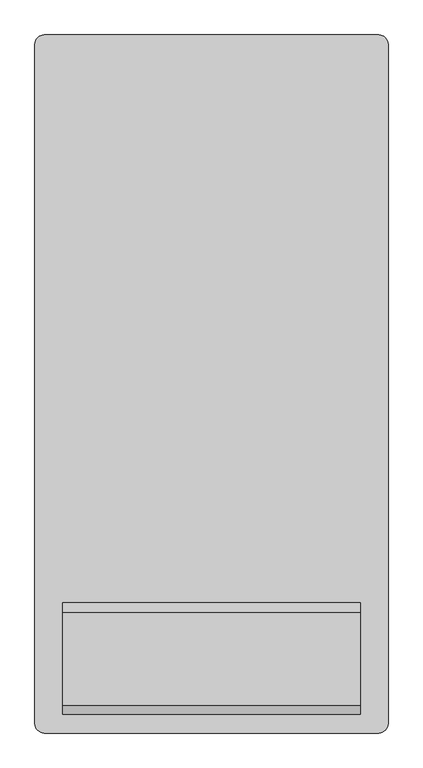
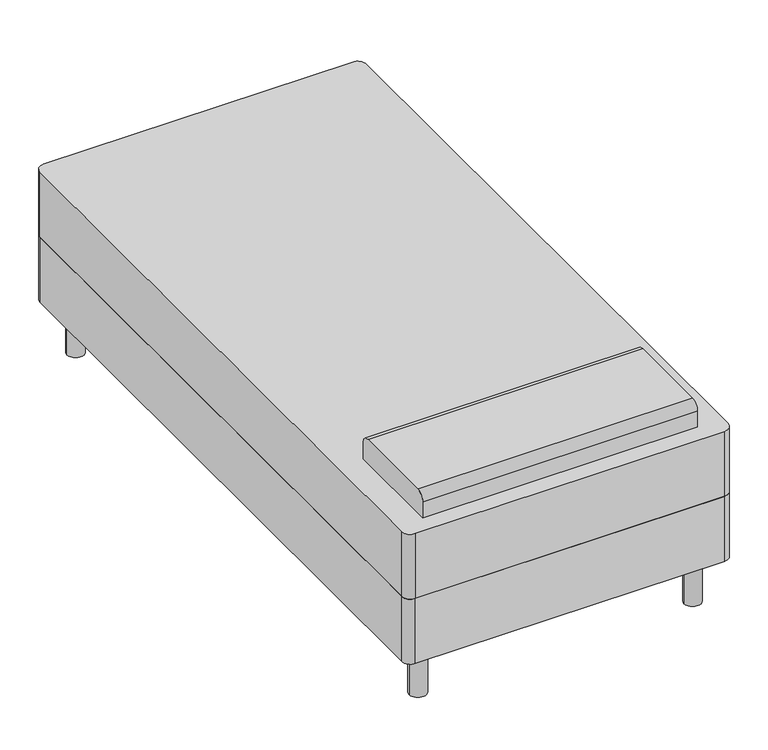
"""IFC4 building model written with IfcOpenShell, lengths in millimetres: furniture geometry."""

import ifcopenshell
import ifcopenshell.guid

model = None  # the IFC model being written
_history = None  # IfcOwnerHistory: only IFC2X3 demands one
_inside = {}  # id of a spatial element -> (the spatial element, [elements in it])
_under = {}  # id of a project, library or spatial element -> (it, [spatial elements below it])
_declared = {}  # id of a project -> (the project, [libraries it declares])
_typed = {}  # id of a type object -> (the type object, [elements of that type])
_made_of = {}  # id of a material, layer set ... -> (it, [elements and type objects made of it])


def new_model(schema):
    """Start an empty IFC model of exactly this schema.

    Asked for "IFC4X3", IfcOpenShell would pick the latest addendum, in which some entities
    have other attributes; the version numbers below select the first issue.
    IFC2X3 requires an IfcOwnerHistory on every rooted entity: one is made here for all.
    """
    global model, _history
    if schema == "IFC4X3":
        model = ifcopenshell.file(schema_version=(4, 3, 0, 0))
    else:
        model = ifcopenshell.file(schema=schema)
    _inside.clear()
    _under.clear()
    _declared.clear()
    _typed.clear()
    _made_of.clear()
    _history = None
    if model.schema == "IFC2X3":
        org = make("IfcOrganization", Name="unknown")
        user = make(
            "IfcPersonAndOrganization",
            ThePerson=make("IfcPerson", FamilyName="unknown"),
            TheOrganization=org,
        )
        app = make(
            "IfcApplication",
            ApplicationDeveloper=org,
            Version="unknown",
            ApplicationFullName="unknown",
            ApplicationIdentifier="unknown",
        )
        _history = make(
            "IfcOwnerHistory",
            OwningUser=user,
            OwningApplication=app,
            ChangeAction="ADDED",
            CreationDate=0,
        )
    return model


def make(cls, **values):
    """One entity of the class cls with the attributes given. An attribute that is None is left unset."""
    return model.create_entity(
        cls, **{name: value for name, value in values.items() if value is not None}
    )


def rooted(cls, **values):
    """An entity with a GlobalId (a new one), such as an element, a storey or a relation."""
    return make(cls, GlobalId=ifcopenshell.guid.new(), OwnerHistory=_history, **values)


def si_unit(unit_type, name, prefix=None):
    """IfcSIUnit, for example si_unit("LENGTHUNIT", "METRE", prefix="MILLI")."""
    return make("IfcSIUnit", UnitType=unit_type, Prefix=prefix, Name=name)


def assignment(units):
    """IfcUnitAssignment: the units of a project."""
    return None if units is None else make("IfcUnitAssignment", Units=units)


def point(xyz):
    """IfcCartesianPoint."""
    return None if xyz is None else make("IfcCartesianPoint", Coordinates=xyz)


def direction(xyz):
    """IfcDirection."""
    return None if xyz is None else make("IfcDirection", DirectionRatios=xyz)


def frame(location, z_axis=None, x_axis=None):
    """IfcAxis2Placement3D, a coordinate frame: its origin and axes. An axis left out is left unset."""
    return make(
        "IfcAxis2Placement3D",
        Location=point(location),
        Axis=direction(z_axis),
        RefDirection=direction(x_axis),
    )


def frame_2d(location, x_axis=None):
    """IfcAxis2Placement2D, a coordinate frame in the plane: its origin and x axis."""
    return make(
        "IfcAxis2Placement2D", Location=point(location), RefDirection=direction(x_axis)
    )


def origin():
    """The frame at (0, 0, 0) with its axes left unset."""
    return frame((0.0, 0.0, 0.0))


def origin_with_axes():
    """The frame at (0, 0, 0) with the z axis (0, 0, 1) and the x axis (1, 0, 0) written out."""
    return frame((0.0, 0.0, 0.0), z_axis=(0.0, 0.0, 1.0), x_axis=(1.0, 0.0, 0.0))


def place(relative_to, where):
    """IfcLocalPlacement: puts the frame where relative to a parent placement (None: the world)."""
    return make(
        "IfcLocalPlacement", PlacementRelTo=relative_to, RelativePlacement=where
    )


def context(
    kind, dimensions, precision=None, world=None, true_north=None, identifier=None
):
    """IfcGeometricRepresentationContext, for example the 3D "Model" context."""
    return make(
        "IfcGeometricRepresentationContext",
        ContextIdentifier=identifier,
        ContextType=kind,
        CoordinateSpaceDimension=dimensions,
        Precision=precision,
        WorldCoordinateSystem=world,
        TrueNorth=true_north,
    )


def project(units=None, contexts=None):
    """IfcProject with its units and contexts."""
    return rooted(
        "IfcProject",
        Name="project",
        RepresentationContexts=contexts,
        UnitsInContext=assignment(units),
    )


def spatial(cls, under=None, at=None, **own):
    """A site, building, storey or space (cls), placed at a placement, below another one or the project."""
    s = rooted(cls, ObjectPlacement=at, **own)
    if under is not None:
        _under.setdefault(under.id(), (under, []))[1].append(s)
    return s


def polyline(points):
    """IfcPolyline through the points."""
    return make("IfcPolyline", Points=[point(p) for p in points])


def circle_curve(where, radius):
    """IfcCircle in the frame where."""
    return make("IfcCircle", Position=where, Radius=radius)


def trimmed(basis, trim1, trim2, sense, master):
    """IfcTrimmedCurve: the piece of a basis curve between two trims."""
    return make(
        "IfcTrimmedCurve",
        BasisCurve=basis,
        Trim1=trim1,
        Trim2=trim2,
        SenseAgreement=sense,
        MasterRepresentation=master,
    )


def segment(curve, same_sense, transition):
    """IfcCompositeCurveSegment."""
    return make(
        "IfcCompositeCurveSegment",
        Transition=transition,
        SameSense=same_sense,
        ParentCurve=curve,
    )


def composite_curve(segments, self_intersect=None):
    """IfcCompositeCurve: segments joined end to end."""
    return make("IfcCompositeCurve", Segments=segments, SelfIntersect=self_intersect)


def outline(outer, holes=None, kind="AREA"):
    """IfcArbitraryClosedProfileDef: a profile drawn as a closed curve; with holes, ...WithVoids."""
    if holes is None:
        return make("IfcArbitraryClosedProfileDef", ProfileType=kind, OuterCurve=outer)
    return make(
        "IfcArbitraryProfileDefWithVoids",
        ProfileType=kind,
        OuterCurve=outer,
        InnerCurves=holes,
    )


def extrude(swept, where, along, depth):
    """IfcExtrudedAreaSolid: the profile swept, set in the frame where, extruded along a direction by depth."""
    return make(
        "IfcExtrudedAreaSolid",
        SweptArea=swept,
        Position=where,
        ExtrudedDirection=direction(along),
        Depth=depth,
    )


def shape(context_of_items, identifier, shape_type, items):
    """IfcShapeRepresentation: the items that make up one representation, for example the "Body"."""
    return make(
        "IfcShapeRepresentation",
        ContextOfItems=context_of_items,
        RepresentationIdentifier=identifier,
        RepresentationType=shape_type,
        Items=items,
    )


def source(mapping_origin, context_of_items, identifier, shape_type, items):
    """IfcRepresentationMap: a shape defined once, which mapped items show again and again."""
    return make(
        "IfcRepresentationMap",
        MappingOrigin=mapping_origin,
        MappedRepresentation=shape(context_of_items, identifier, shape_type, items),
    )


def transform(
    local_origin,
    x_axis=None,
    y_axis=None,
    z_axis=None,
    scale=None,
    scale2=None,
    scale3=None,
    uniform=True,
):
    """IfcCartesianTransformationOperator3D, or its non-uniform kind. x_axis, y_axis, z_axis: its Axis1, 2, 3."""
    if uniform:
        return make(
            "IfcCartesianTransformationOperator3D",
            Axis1=direction(x_axis),
            Axis2=direction(y_axis),
            LocalOrigin=point(local_origin),
            Scale=scale,
            Axis3=direction(z_axis),
        )
    return make(
        "IfcCartesianTransformationOperator3DnonUniform",
        Axis1=direction(x_axis),
        Axis2=direction(y_axis),
        LocalOrigin=point(local_origin),
        Scale=scale,
        Axis3=direction(z_axis),
        Scale2=scale2,
        Scale3=scale3,
    )


def mapped(mapping_source, mapping_target):
    """IfcMappedItem: shows the shape of a source again, moved by a transform."""
    return make(
        "IfcMappedItem", MappingSource=mapping_source, MappingTarget=mapping_target
    )


def made_of(thing, what):
    """Note that an element or type object is made of a material, layer set ...; save() writes the relation."""
    if what is not None:
        _made_of.setdefault(what.id(), (what, []))[1].append(thing)
    return thing


def element(
    cls,
    number,
    at=None,
    inside=None,
    cuts=None,
    type_object=None,
    material=None,
    context=None,
    identifier="Body",
    shape_type=None,
    held_by="IfcProductDefinitionShape",
    body=None,
    shapes=None,
    **own,
):
    """One element of the class cls, such as IfcWall. Its Tag is "e" and its number.

    at: its placement. inside: the storey or other place that contains it. cuts: it is an
    opening in that element (IfcRelVoidsElement). A single representation is given by context,
    identifier, shape_type and body (its items); several are given by shapes. held_by: the class
    of the entity that holds the representations. save() writes the other relations.
    """
    e = rooted(cls, Tag="e%d" % number, ObjectPlacement=at, **own)
    if body is not None:
        shapes = [shape(context, identifier, shape_type, body)]
    if shapes is not None:
        e.Representation = make(held_by, Representations=shapes)
    if inside is not None:
        _inside.setdefault(inside.id(), (inside, []))[1].append(e)
    if cuts is not None:
        rooted(
            "IfcRelVoidsElement", RelatingBuildingElement=cuts, RelatedOpeningElement=e
        )
    if type_object is not None:
        _typed.setdefault(type_object.id(), (type_object, []))[1].append(e)
    return made_of(e, material)


def aggregate(whole, parts):
    """IfcRelAggregates: a whole, such as a stair, and the parts it consists of."""
    return rooted("IfcRelAggregates", RelatingObject=whole, RelatedObjects=parts)


def save(model, path):
    """Write the relations noted so far, then the file.

    IfcRelAggregates (storeys below a building ...), IfcRelContainedInSpatialStructure (elements
    in a storey), IfcRelDefinesByType, IfcRelAssociatesMaterial and IfcRelDeclares: one each for
    every whole, place, type object, material and project.
    """
    for whole, parts in _under.values():
        aggregate(whole, parts)
    for where, things in _inside.values():
        rooted(
            "IfcRelContainedInSpatialStructure",
            RelatedElements=things,
            RelatingStructure=where,
        )
    for kind, things in _typed.values():
        rooted("IfcRelDefinesByType", RelatedObjects=things, RelatingType=kind)
    for what, things in _made_of.values():
        rooted("IfcRelAssociatesMaterial", RelatedObjects=things, RelatingMaterial=what)
    for by, libraries in _declared.values():
        rooted("IfcRelDeclares", RelatingContext=by, RelatedDefinitions=libraries)
    model.write(path)


def furniture_fedef34a(model_context):
    return source(origin(), model_context, "Body", "SweptSolid", [
        extrude(outline(composite_curve([segment(trimmed(circle_curve(frame_2d((-185.6114754, 972.695082)), 25.4), [point((-211.0114754, 972.695082))], [point((-185.6114754, 998.095082))], False, "CARTESIAN"), True, "CONTINUOUS"), segment(polyline([(-185.6114754, 998.095082), (728.5885246, 998.095082)]), True, "CONTINUOUS"), segment(trimmed(circle_curve(frame_2d((728.5885246, 972.695082)), 25.4), [point((728.5885246, 998.095082))], [point((753.9885246, 972.695082))], False, "CARTESIAN"), True, "CONTINUOUS"), segment(polyline([(753.9885246, 972.695082), (753.9885246, -881.504918)]), True, "CONTINUOUS"), segment(trimmed(circle_curve(frame_2d((728.5885246, -881.504918)), 25.4), [point((753.9885246, -881.504918))], [point((728.5885246, -906.904918))], False, "CARTESIAN"), True, "CONTINUOUS"), segment(polyline([(728.5885246, -906.904918), (-185.6114754, -906.904918)]), True, "CONTINUOUS"), segment(trimmed(circle_curve(frame_2d((-185.6114754, -881.504918)), 25.4), [point((-185.6114754, -906.904918))], [point((-211.0114754, -881.504918))], False, "CARTESIAN"), True, "CONTINUOUS"), segment(polyline([(-211.0114754, -881.504918), (-211.0114754, 972.695082)]), True, "CONTINUOUS")], self_intersect=False)), frame((0.0, 0.0, 152.4), z_axis=(0.0, 0.0, 1.0), x_axis=(1.0, 0.0, 0.0)), (0.0, 0.0, 1.0), 203.2),
        extrude(outline(composite_curve([segment(polyline([(-551.304918, 558.8), (-856.104918, 558.8), (-856.104918, 609.6)]), True, "CONTINUOUS"), segment(trimmed(circle_curve(frame_2d((-830.704918, 609.6)), 25.4), [point((-856.104918, 609.6))], [point((-830.704918, 635.0))], False, "CARTESIAN"), True, "CONTINUOUS"), segment(polyline([(-830.704918, 635.0), (-576.704918, 635.0)]), True, "CONTINUOUS"), segment(trimmed(circle_curve(frame_2d((-576.704918, 609.6)), 25.4), [point((-576.704918, 635.0))], [point((-551.304918, 609.6))], False, "CARTESIAN"), True, "CONTINUOUS"), segment(polyline([(-551.304918, 609.6), (-551.304918, 558.8)]), True, "CONTINUOUS")], self_intersect=False)), frame((-134.8114754, 0.0, 0.0), z_axis=(1.0, 0.0, 0.0), x_axis=(0.0, 1.0, 0.0)), (0.0, 0.0, 1.0), 812.6),
        extrude(outline(composite_curve([segment(trimmed(circle_curve(frame_2d((-134.8114754, -830.704918)), 25.4), [point((-160.2114754, -830.704918))], [point((-109.4114754, -830.704918))], False, "CARTESIAN"), True, "CONTINUOUS"), segment(trimmed(circle_curve(frame_2d((-134.8114754, -830.704918)), 25.4), [point((-109.4114754, -830.704918))], [point((-160.2114754, -830.704918))], False, "CARTESIAN"), True, "CONTINUOUS")], self_intersect=False)), origin_with_axes(), (0.0, 0.0, 1.0), 152.4),
        extrude(outline(composite_curve([segment(trimmed(circle_curve(frame_2d((677.7885246, -830.704918)), 25.4), [point((652.3885246, -830.704918))], [point((703.1885246, -830.704918))], False, "CARTESIAN"), True, "CONTINUOUS"), segment(trimmed(circle_curve(frame_2d((677.7885246, -830.704918)), 25.4), [point((703.1885246, -830.704918))], [point((652.3885246, -830.704918))], False, "CARTESIAN"), True, "CONTINUOUS")], self_intersect=False)), origin_with_axes(), (0.0, 0.0, 1.0), 152.4),
        extrude(outline(composite_curve([segment(trimmed(circle_curve(frame_2d((677.7885246, 921.895082)), 25.4), [point((652.3885246, 921.895082))], [point((703.1885246, 921.895082))], False, "CARTESIAN"), True, "CONTINUOUS"), segment(trimmed(circle_curve(frame_2d((677.7885246, 921.895082)), 25.4), [point((703.1885246, 921.895082))], [point((652.3885246, 921.895082))], False, "CARTESIAN"), True, "CONTINUOUS")], self_intersect=False)), origin_with_axes(), (0.0, 0.0, 1.0), 152.4),
        extrude(outline(composite_curve([segment(trimmed(circle_curve(frame_2d((-134.8114754, 921.895082)), 25.4), [point((-160.2114754, 921.895082))], [point((-109.4114754, 921.895082))], False, "CARTESIAN"), True, "CONTINUOUS"), segment(trimmed(circle_curve(frame_2d((-134.8114754, 921.895082)), 25.4), [point((-109.4114754, 921.895082))], [point((-160.2114754, 921.895082))], False, "CARTESIAN"), True, "CONTINUOUS")], self_intersect=False)), origin_with_axes(), (0.0, 0.0, 1.0), 152.4),
        extrude(outline(composite_curve([segment(trimmed(circle_curve(frame_2d((-185.6114754, -881.504918)), 25.4), [point((-185.6114754, -906.904918))], [point((-211.0114754, -881.504918))], False, "CARTESIAN"), True, "CONTINUOUS"), segment(polyline([(-211.0114754, -881.504918), (-211.0114754, 972.695082)]), True, "CONTINUOUS"), segment(trimmed(circle_curve(frame_2d((-185.6114754, 972.695082)), 25.4), [point((-211.0114754, 972.695082))], [point((-185.6114754, 998.095082))], False, "CARTESIAN"), True, "CONTINUOUS"), segment(polyline([(-185.6114754, 998.095082), (728.5885246, 998.095082)]), True, "CONTINUOUS"), segment(trimmed(circle_curve(frame_2d((728.5885246, 972.695082)), 25.4), [point((728.5885246, 998.095082))], [point((753.9885246, 972.695082))], False, "CARTESIAN"), True, "CONTINUOUS"), segment(polyline([(753.9885246, 972.695082), (753.9885246, -881.504918)]), True, "CONTINUOUS"), segment(trimmed(circle_curve(frame_2d((728.5885246, -881.504918)), 25.4), [point((753.9885246, -881.504918))], [point((728.5885246, -906.904918))], False, "CARTESIAN"), True, "CONTINUOUS"), segment(polyline([(728.5885246, -906.904918), (-185.6114754, -906.904918)]), True, "CONTINUOUS")], self_intersect=False)), frame((0.0, 0.0, 355.6), z_axis=(0.0, 0.0, 1.0), x_axis=(1.0, 0.0, 0.0)), (0.0, 0.0, 1.0), 203.2),
    ])


if __name__ == "__main__":
    model = new_model("IFC4")
    model_context = context("Model", 3, world=origin())
    ifc_project = project(units=[si_unit("LENGTHUNIT", "METRE", prefix="MILLI")], contexts=[model_context])
    site = spatial("IfcSite", under=ifc_project)
    building = spatial("IfcBuilding", under=site)
    placement = place(None, origin())
    furniture_shape = furniture_fedef34a(model_context)
    element("IfcFurniture", 1, at=placement, inside=building, context=model_context, shape_type="MappedRepresentation", body=[
        mapped(furniture_shape, transform((0.0, 0.0, 0.0), x_axis=(1.0, 0.0, 0.0), y_axis=(0.0, 1.0, 0.0), z_axis=(0.0, 0.0, 1.0))),
    ])
    save(model, "model.ifc")
